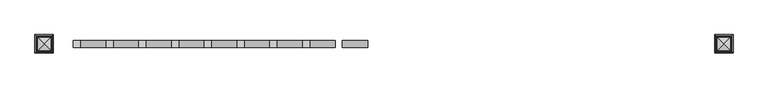
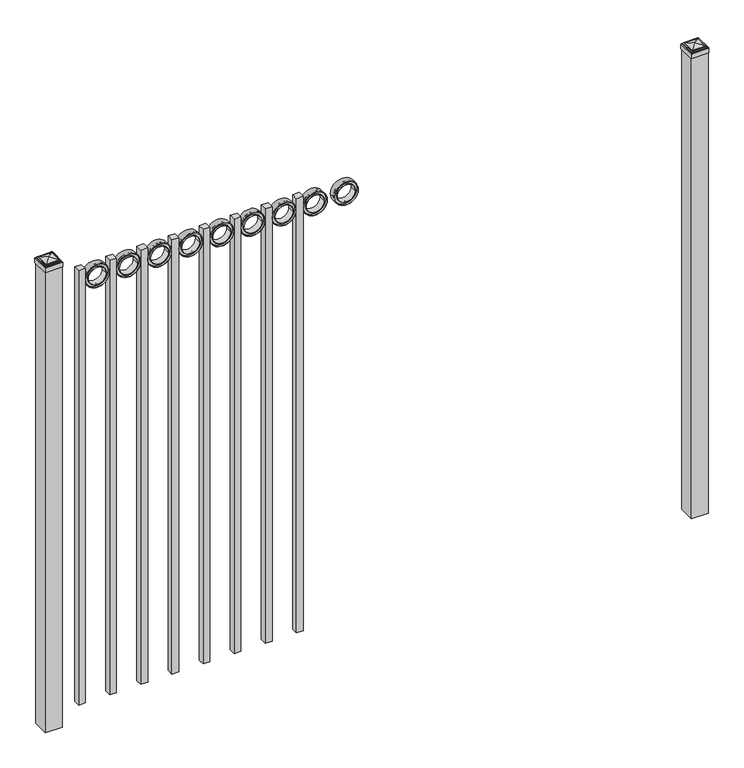
"""IFC4 building model written with IfcOpenShell, lengths in millimetres: railing geometry."""

import ifcopenshell
import ifcopenshell.guid

model = None  # the IFC model being written
_history = None  # IfcOwnerHistory: only IFC2X3 demands one
_inside = {}  # id of a spatial element -> (the spatial element, [elements in it])
_under = {}  # id of a project, library or spatial element -> (it, [spatial elements below it])
_declared = {}  # id of a project -> (the project, [libraries it declares])
_typed = {}  # id of a type object -> (the type object, [elements of that type])
_made_of = {}  # id of a material, layer set ... -> (it, [elements and type objects made of it])


def new_model(schema):
    """Start an empty IFC model of exactly this schema.

    Asked for "IFC4X3", IfcOpenShell would pick the latest addendum, in which some entities
    have other attributes; the version numbers below select the first issue.
    IFC2X3 requires an IfcOwnerHistory on every rooted entity: one is made here for all.
    """
    global model, _history
    if schema == "IFC4X3":
        model = ifcopenshell.file(schema_version=(4, 3, 0, 0))
    else:
        model = ifcopenshell.file(schema=schema)
    _inside.clear()
    _under.clear()
    _declared.clear()
    _typed.clear()
    _made_of.clear()
    _history = None
    if model.schema == "IFC2X3":
        org = make("IfcOrganization", Name="unknown")
        user = make(
            "IfcPersonAndOrganization",
            ThePerson=make("IfcPerson", FamilyName="unknown"),
            TheOrganization=org,
        )
        app = make(
            "IfcApplication",
            ApplicationDeveloper=org,
            Version="unknown",
            ApplicationFullName="unknown",
            ApplicationIdentifier="unknown",
        )
        _history = make(
            "IfcOwnerHistory",
            OwningUser=user,
            OwningApplication=app,
            ChangeAction="ADDED",
            CreationDate=0,
        )
    return model


def make(cls, **values):
    """One entity of the class cls with the attributes given. An attribute that is None is left unset."""
    return model.create_entity(
        cls, **{name: value for name, value in values.items() if value is not None}
    )


def rooted(cls, **values):
    """An entity with a GlobalId (a new one), such as an element, a storey or a relation."""
    return make(cls, GlobalId=ifcopenshell.guid.new(), OwnerHistory=_history, **values)


def si_unit(unit_type, name, prefix=None):
    """IfcSIUnit, for example si_unit("LENGTHUNIT", "METRE", prefix="MILLI")."""
    return make("IfcSIUnit", UnitType=unit_type, Prefix=prefix, Name=name)


def assignment(units):
    """IfcUnitAssignment: the units of a project."""
    return None if units is None else make("IfcUnitAssignment", Units=units)


def point(xyz):
    """IfcCartesianPoint."""
    return None if xyz is None else make("IfcCartesianPoint", Coordinates=xyz)


def direction(xyz):
    """IfcDirection."""
    return None if xyz is None else make("IfcDirection", DirectionRatios=xyz)


def frame(location, z_axis=None, x_axis=None):
    """IfcAxis2Placement3D, a coordinate frame: its origin and axes. An axis left out is left unset."""
    return make(
        "IfcAxis2Placement3D",
        Location=point(location),
        Axis=direction(z_axis),
        RefDirection=direction(x_axis),
    )


def frame_2d(location, x_axis=None):
    """IfcAxis2Placement2D, a coordinate frame in the plane: its origin and x axis."""
    return make(
        "IfcAxis2Placement2D", Location=point(location), RefDirection=direction(x_axis)
    )


def origin():
    """The frame at (0, 0, 0) with its axes left unset."""
    return frame((0.0, 0.0, 0.0))


def origin_with_axes():
    """The frame at (0, 0, 0) with the z axis (0, 0, 1) and the x axis (1, 0, 0) written out."""
    return frame((0.0, 0.0, 0.0), z_axis=(0.0, 0.0, 1.0), x_axis=(1.0, 0.0, 0.0))


def place(relative_to, where):
    """IfcLocalPlacement: puts the frame where relative to a parent placement (None: the world)."""
    return make(
        "IfcLocalPlacement", PlacementRelTo=relative_to, RelativePlacement=where
    )


def context(
    kind, dimensions, precision=None, world=None, true_north=None, identifier=None
):
    """IfcGeometricRepresentationContext, for example the 3D "Model" context."""
    return make(
        "IfcGeometricRepresentationContext",
        ContextIdentifier=identifier,
        ContextType=kind,
        CoordinateSpaceDimension=dimensions,
        Precision=precision,
        WorldCoordinateSystem=world,
        TrueNorth=true_north,
    )


def project(units=None, contexts=None):
    """IfcProject with its units and contexts."""
    return rooted(
        "IfcProject",
        Name="project",
        RepresentationContexts=contexts,
        UnitsInContext=assignment(units),
    )


def spatial(cls, under=None, at=None, **own):
    """A site, building, storey or space (cls), placed at a placement, below another one or the project."""
    s = rooted(cls, ObjectPlacement=at, **own)
    if under is not None:
        _under.setdefault(under.id(), (under, []))[1].append(s)
    return s


def polyline(points):
    """IfcPolyline through the points."""
    return make("IfcPolyline", Points=[point(p) for p in points])


def circle_curve(where, radius):
    """IfcCircle in the frame where."""
    return make("IfcCircle", Position=where, Radius=radius)


def ellipse_curve(where, semi_axis1, semi_axis2):
    """IfcEllipse in the frame where."""
    return make(
        "IfcEllipse", Position=where, SemiAxis1=semi_axis1, SemiAxis2=semi_axis2
    )


def trimmed(basis, trim1, trim2, sense, master):
    """IfcTrimmedCurve: the piece of a basis curve between two trims."""
    return make(
        "IfcTrimmedCurve",
        BasisCurve=basis,
        Trim1=trim1,
        Trim2=trim2,
        SenseAgreement=sense,
        MasterRepresentation=master,
    )


def segment(curve, same_sense, transition):
    """IfcCompositeCurveSegment."""
    return make(
        "IfcCompositeCurveSegment",
        Transition=transition,
        SameSense=same_sense,
        ParentCurve=curve,
    )


def composite_curve(segments, self_intersect=None):
    """IfcCompositeCurve: segments joined end to end."""
    return make("IfcCompositeCurve", Segments=segments, SelfIntersect=self_intersect)


def outline(outer, holes=None, kind="AREA"):
    """IfcArbitraryClosedProfileDef: a profile drawn as a closed curve; with holes, ...WithVoids."""
    if holes is None:
        return make("IfcArbitraryClosedProfileDef", ProfileType=kind, OuterCurve=outer)
    return make(
        "IfcArbitraryProfileDefWithVoids",
        ProfileType=kind,
        OuterCurve=outer,
        InnerCurves=holes,
    )


def extrude(swept, where, along, depth):
    """IfcExtrudedAreaSolid: the profile swept, set in the frame where, extruded along a direction by depth."""
    return make(
        "IfcExtrudedAreaSolid",
        SweptArea=swept,
        Position=where,
        ExtrudedDirection=direction(along),
        Depth=depth,
    )


def shape(context_of_items, identifier, shape_type, items):
    """IfcShapeRepresentation: the items that make up one representation, for example the "Body"."""
    return make(
        "IfcShapeRepresentation",
        ContextOfItems=context_of_items,
        RepresentationIdentifier=identifier,
        RepresentationType=shape_type,
        Items=items,
    )


def source(mapping_origin, context_of_items, identifier, shape_type, items):
    """IfcRepresentationMap: a shape defined once, which mapped items show again and again."""
    return make(
        "IfcRepresentationMap",
        MappingOrigin=mapping_origin,
        MappedRepresentation=shape(context_of_items, identifier, shape_type, items),
    )


def transform(
    local_origin,
    x_axis=None,
    y_axis=None,
    z_axis=None,
    scale=None,
    scale2=None,
    scale3=None,
    uniform=True,
):
    """IfcCartesianTransformationOperator3D, or its non-uniform kind. x_axis, y_axis, z_axis: its Axis1, 2, 3."""
    if uniform:
        return make(
            "IfcCartesianTransformationOperator3D",
            Axis1=direction(x_axis),
            Axis2=direction(y_axis),
            LocalOrigin=point(local_origin),
            Scale=scale,
            Axis3=direction(z_axis),
        )
    return make(
        "IfcCartesianTransformationOperator3DnonUniform",
        Axis1=direction(x_axis),
        Axis2=direction(y_axis),
        LocalOrigin=point(local_origin),
        Scale=scale,
        Axis3=direction(z_axis),
        Scale2=scale2,
        Scale3=scale3,
    )


def mapped(mapping_source, mapping_target):
    """IfcMappedItem: shows the shape of a source again, moved by a transform."""
    return make(
        "IfcMappedItem", MappingSource=mapping_source, MappingTarget=mapping_target
    )


def made_of(thing, what):
    """Note that an element or type object is made of a material, layer set ...; save() writes the relation."""
    if what is not None:
        _made_of.setdefault(what.id(), (what, []))[1].append(thing)
    return thing


def element(
    cls,
    number,
    at=None,
    inside=None,
    cuts=None,
    type_object=None,
    material=None,
    context=None,
    identifier="Body",
    shape_type=None,
    held_by="IfcProductDefinitionShape",
    body=None,
    shapes=None,
    **own,
):
    """One element of the class cls, such as IfcWall. Its Tag is "e" and its number.

    at: its placement. inside: the storey or other place that contains it. cuts: it is an
    opening in that element (IfcRelVoidsElement). A single representation is given by context,
    identifier, shape_type and body (its items); several are given by shapes. held_by: the class
    of the entity that holds the representations. save() writes the other relations.
    """
    e = rooted(cls, Tag="e%d" % number, ObjectPlacement=at, **own)
    if body is not None:
        shapes = [shape(context, identifier, shape_type, body)]
    if shapes is not None:
        e.Representation = make(held_by, Representations=shapes)
    if inside is not None:
        _inside.setdefault(inside.id(), (inside, []))[1].append(e)
    if cuts is not None:
        rooted(
            "IfcRelVoidsElement", RelatingBuildingElement=cuts, RelatedOpeningElement=e
        )
    if type_object is not None:
        _typed.setdefault(type_object.id(), (type_object, []))[1].append(e)
    return made_of(e, material)


def aggregate(whole, parts):
    """IfcRelAggregates: a whole, such as a stair, and the parts it consists of."""
    return rooted("IfcRelAggregates", RelatingObject=whole, RelatedObjects=parts)


def save(model, path):
    """Write the relations noted so far, then the file.

    IfcRelAggregates (storeys below a building ...), IfcRelContainedInSpatialStructure (elements
    in a storey), IfcRelDefinesByType, IfcRelAssociatesMaterial and IfcRelDeclares: one each for
    every whole, place, type object, material and project.
    """
    for whole, parts in _under.values():
        aggregate(whole, parts)
    for where, things in _inside.values():
        rooted(
            "IfcRelContainedInSpatialStructure",
            RelatedElements=things,
            RelatingStructure=where,
        )
    for kind, things in _typed.values():
        rooted("IfcRelDefinesByType", RelatedObjects=things, RelatingType=kind)
    for what, things in _made_of.values():
        rooted("IfcRelAssociatesMaterial", RelatedObjects=things, RelatingMaterial=what)
    for by, libraries in _declared.values():
        rooted("IfcRelDeclares", RelatingContext=by, RelatedDefinitions=libraries)
    model.write(path)


def plane_surface(at):
    """IfcPlane: the flat surface through the origin of the frame at, square to its z axis."""
    return make("IfcPlane", Position=at)


def cylinder_surface(at, radius):
    """IfcCylindricalSurface: all points at the distance radius from the z axis of the frame at."""
    return make("IfcCylindricalSurface", Position=at, Radius=radius)


def advanced_brep(points, edges, surfaces, faces):
    """IfcAdvancedBrep: a solid bounded by faces that lie on surfaces and meet in shared edges.

    An edge is (start, end): straight between two places in points (the first is 0);
    or (start, end, curve); or (start, end, curve, False) where it runs against its curve.
    A face is (place in surfaces, loops), or (place, loops, False) where it looks against
    its surface's normal. A loop lists edges by number (the first is 1), with a minus sign
    where the edge is run from its end to its start. The first loop is the outer one.
    """
    corners = [point(p) for p in points]
    vertices = [make("IfcVertexPoint", VertexGeometry=c) for c in corners]
    made = []
    for start, end, *more in edges:
        made.append(
            make(
                "IfcEdgeCurve",
                EdgeStart=vertices[start],
                EdgeEnd=vertices[end],
                EdgeGeometry=more[0] if more else make("IfcPolyline", Points=[corners[start], corners[end]]),
                SameSense=more[1] if len(more) > 1 else True,
            )
        )
    hull = []
    for where, loops, *sense in faces:
        bounds = []
        for j, loop in enumerate(loops):
            ring = [make("IfcOrientedEdge", EdgeElement=made[abs(k) - 1], Orientation=k > 0) for k in loop]
            bounds.append(
                make(
                    "IfcFaceOuterBound" if j == 0 else "IfcFaceBound",
                    Bound=make("IfcEdgeLoop", EdgeList=ring),
                    Orientation=True,
                )
            )
        hull.append(make("IfcAdvancedFace", Bounds=bounds, FaceSurface=surfaces[where], SameSense=sense[0] if sense else True))
    return make("IfcAdvancedBrep", Outer=make("IfcClosedShell", CfsFaces=hull))


def railing_31f2b3d9(model_context):
    return source(origin(), model_context, "Body", "SolidModel", [
        extrude(outline(composite_curve([segment(trimmed(circle_curve(frame_2d((1738.6511409, -5077.3911274)), 45.6988591), [point((1738.6511409, -5031.6922684))], [point((1738.6511409, -5123.0899865))], False, "CARTESIAN"), True, "CONTINUOUS"), segment(trimmed(circle_curve(frame_2d((1738.6511409, -5077.3911274)), 45.6988591), [point((1738.6511409, -5123.0899865))], [point((1738.6511409, -5031.6922684))], False, "CARTESIAN"), True, "CONTINUOUS")], self_intersect=False), holes=[composite_curve([segment(trimmed(circle_curve(frame_2d((1738.6511409, -5077.3911274)), 44.101539), [point((1738.6511409, -5033.2895884))], [point((1738.6511409, -5121.4926665))], True, "CARTESIAN"), True, "CONTINUOUS"), segment(trimmed(circle_curve(frame_2d((1738.6511409, -5077.3911274)), 44.101539), [point((1738.6511409, -5121.4926665))], [point((1738.6511409, -5033.2895884))], True, "CARTESIAN"), True, "CONTINUOUS")], self_intersect=False)]), frame((0.0, 10356.219541, 0.0), z_axis=(0.0, 1.0, 0.0), x_axis=(0.0, 0.0, 1.0)), (0.0, 0.0, 1.0), 25.4),
        extrude(outline(composite_curve([segment(trimmed(circle_curve(frame_2d((1738.6511409, -5077.3911274)), 34.6370762), [point((1738.6511409, -5042.7540512))], [point((1738.6511409, -5112.0282037))], False, "CARTESIAN"), True, "CONTINUOUS"), segment(trimmed(circle_curve(frame_2d((1738.6511409, -5077.3911274)), 34.6370762), [point((1738.6511409, -5112.0282037))], [point((1738.6511409, -5042.7540512))], False, "CARTESIAN"), True, "CONTINUOUS")], self_intersect=False), holes=[composite_curve([segment(trimmed(circle_curve(frame_2d((1738.6511409, -5077.3911274)), 33.0443887), [point((1738.6511409, -5044.3467388))], [point((1738.6511409, -5110.4355161))], True, "CARTESIAN"), True, "CONTINUOUS"), segment(trimmed(circle_curve(frame_2d((1738.6511409, -5077.3911274)), 33.0443887), [point((1738.6511409, -5110.4355161))], [point((1738.6511409, -5044.3467388))], True, "CARTESIAN"), True, "CONTINUOUS")], self_intersect=False)]), frame((0.0, 10356.219541, 0.0), z_axis=(0.0, 1.0, 0.0), x_axis=(0.0, 0.0, 1.0)), (0.0, 0.0, 1.0), 25.4),
        extrude(outline(composite_curve([segment(trimmed(circle_curve(frame_2d((1738.6511409, -5077.3911274)), 45.6988591), [point((1738.6511409, -5031.6922684))], [point((1738.6511409, -5123.0899865))], False, "CARTESIAN"), True, "CONTINUOUS"), segment(trimmed(circle_curve(frame_2d((1738.6511409, -5077.3911274)), 45.6988591), [point((1738.6511409, -5123.0899865))], [point((1738.6511409, -5031.6922684))], False, "CARTESIAN"), True, "CONTINUOUS")], self_intersect=False), holes=[composite_curve([segment(trimmed(circle_curve(frame_2d((1738.6511409, -5077.3911274)), 33.0443887), [point((1738.6511409, -5044.3467388))], [point((1738.6511409, -5110.4355161))], True, "CARTESIAN"), True, "CONTINUOUS"), segment(trimmed(circle_curve(frame_2d((1738.6511409, -5077.3911274)), 33.0443887), [point((1738.6511409, -5110.4355161))], [point((1738.6511409, -5044.3467388))], True, "CARTESIAN"), True, "CONTINUOUS")], self_intersect=False)]), frame((0.0, 10362.569541, 0.0), z_axis=(0.0, 1.0, 0.0), x_axis=(0.0, 0.0, 1.0)), (0.0, 0.0, 1.0), 12.7),
        extrude(outline(polyline([(0.0, -1733.55), (0.0, 0.0), (25.4, 0.0), (25.4, -1733.55), (0.0, -1733.55)])), frame((-5240.5649864, 10381.619541, 1784.35), z_axis=(-1.0, 0.0, 2.393723301381961e-09), x_axis=(0.0, -1.0, 0.0)), (0.0, 0.0, 1.0), 25.4),
        extrude(outline(composite_curve([segment(trimmed(circle_curve(frame_2d((1738.6511409, -5194.8661274)), 45.6988591), [point((1738.6511409, -5149.1672684))], [point((1738.6511409, -5240.5649865))], False, "CARTESIAN"), True, "CONTINUOUS"), segment(trimmed(circle_curve(frame_2d((1738.6511409, -5194.8661274)), 45.6988591), [point((1738.6511409, -5240.5649865))], [point((1738.6511409, -5149.1672684))], False, "CARTESIAN"), True, "CONTINUOUS")], self_intersect=False), holes=[composite_curve([segment(trimmed(circle_curve(frame_2d((1738.6511409, -5194.8661274)), 44.101539), [point((1738.6511409, -5150.7645884))], [point((1738.6511409, -5238.9676665))], True, "CARTESIAN"), True, "CONTINUOUS"), segment(trimmed(circle_curve(frame_2d((1738.6511409, -5194.8661274)), 44.101539), [point((1738.6511409, -5238.9676665))], [point((1738.6511409, -5150.7645884))], True, "CARTESIAN"), True, "CONTINUOUS")], self_intersect=False)]), frame((0.0, 10356.219541, 0.0), z_axis=(0.0, 1.0, 0.0), x_axis=(0.0, 0.0, 1.0)), (0.0, 0.0, 1.0), 25.4),
        extrude(outline(composite_curve([segment(trimmed(circle_curve(frame_2d((1738.6511409, -5194.8661274)), 34.6370762), [point((1738.6511409, -5160.2290512))], [point((1738.6511409, -5229.5032037))], False, "CARTESIAN"), True, "CONTINUOUS"), segment(trimmed(circle_curve(frame_2d((1738.6511409, -5194.8661274)), 34.6370762), [point((1738.6511409, -5229.5032037))], [point((1738.6511409, -5160.2290512))], False, "CARTESIAN"), True, "CONTINUOUS")], self_intersect=False), holes=[composite_curve([segment(trimmed(circle_curve(frame_2d((1738.6511409, -5194.8661274)), 33.0443887), [point((1738.6511409, -5161.8217388))], [point((1738.6511409, -5227.9105161))], True, "CARTESIAN"), True, "CONTINUOUS"), segment(trimmed(circle_curve(frame_2d((1738.6511409, -5194.8661274)), 33.0443887), [point((1738.6511409, -5227.9105161))], [point((1738.6511409, -5161.8217388))], True, "CARTESIAN"), True, "CONTINUOUS")], self_intersect=False)]), frame((0.0, 10356.219541, 0.0), z_axis=(0.0, 1.0, 0.0), x_axis=(0.0, 0.0, 1.0)), (0.0, 0.0, 1.0), 25.4),
        extrude(outline(composite_curve([segment(trimmed(circle_curve(frame_2d((1738.6511409, -5194.8661274)), 45.6988591), [point((1738.6511409, -5149.1672684))], [point((1738.6511409, -5240.5649865))], False, "CARTESIAN"), True, "CONTINUOUS"), segment(trimmed(circle_curve(frame_2d((1738.6511409, -5194.8661274)), 45.6988591), [point((1738.6511409, -5240.5649865))], [point((1738.6511409, -5149.1672684))], False, "CARTESIAN"), True, "CONTINUOUS")], self_intersect=False), holes=[composite_curve([segment(trimmed(circle_curve(frame_2d((1738.6511409, -5194.8661274)), 33.0443887), [point((1738.6511409, -5161.8217388))], [point((1738.6511409, -5227.9105161))], True, "CARTESIAN"), True, "CONTINUOUS"), segment(trimmed(circle_curve(frame_2d((1738.6511409, -5194.8661274)), 33.0443887), [point((1738.6511409, -5227.9105161))], [point((1738.6511409, -5161.8217388))], True, "CARTESIAN"), True, "CONTINUOUS")], self_intersect=False)]), frame((0.0, 10362.569541, 0.0), z_axis=(0.0, 1.0, 0.0), x_axis=(0.0, 0.0, 1.0)), (0.0, 0.0, 1.0), 12.7),
        extrude(outline(polyline([(0.0, -1733.55), (0.0, 0.0), (25.4, 0.0), (25.4, -1733.55), (0.0, -1733.55)])), frame((-5358.0399864, 10381.619541, 1784.35), z_axis=(-1.0, 0.0, 2.393723301381961e-09), x_axis=(0.0, -1.0, 0.0)), (0.0, 0.0, 1.0), 25.4),
        extrude(outline(composite_curve([segment(trimmed(circle_curve(frame_2d((1738.6511409, -5312.3411274)), 45.6988591), [point((1738.6511409, -5266.6422684))], [point((1738.6511409, -5358.0399865))], False, "CARTESIAN"), True, "CONTINUOUS"), segment(trimmed(circle_curve(frame_2d((1738.6511409, -5312.3411274)), 45.6988591), [point((1738.6511409, -5358.0399865))], [point((1738.6511409, -5266.6422684))], False, "CARTESIAN"), True, "CONTINUOUS")], self_intersect=False), holes=[composite_curve([segment(trimmed(circle_curve(frame_2d((1738.6511409, -5312.3411274)), 44.101539), [point((1738.6511409, -5268.2395884))], [point((1738.6511409, -5356.4426665))], True, "CARTESIAN"), True, "CONTINUOUS"), segment(trimmed(circle_curve(frame_2d((1738.6511409, -5312.3411274)), 44.101539), [point((1738.6511409, -5356.4426665))], [point((1738.6511409, -5268.2395884))], True, "CARTESIAN"), True, "CONTINUOUS")], self_intersect=False)]), frame((0.0, 10356.219541, 0.0), z_axis=(0.0, 1.0, 0.0), x_axis=(0.0, 0.0, 1.0)), (0.0, 0.0, 1.0), 25.4),
        extrude(outline(composite_curve([segment(trimmed(circle_curve(frame_2d((1738.6511409, -5312.3411274)), 34.6370762), [point((1738.6511409, -5277.7040512))], [point((1738.6511409, -5346.9782037))], False, "CARTESIAN"), True, "CONTINUOUS"), segment(trimmed(circle_curve(frame_2d((1738.6511409, -5312.3411274)), 34.6370762), [point((1738.6511409, -5346.9782037))], [point((1738.6511409, -5277.7040512))], False, "CARTESIAN"), True, "CONTINUOUS")], self_intersect=False), holes=[composite_curve([segment(trimmed(circle_curve(frame_2d((1738.6511409, -5312.3411274)), 33.0443887), [point((1738.6511409, -5279.2967388))], [point((1738.6511409, -5345.3855161))], True, "CARTESIAN"), True, "CONTINUOUS"), segment(trimmed(circle_curve(frame_2d((1738.6511409, -5312.3411274)), 33.0443887), [point((1738.6511409, -5345.3855161))], [point((1738.6511409, -5279.2967388))], True, "CARTESIAN"), True, "CONTINUOUS")], self_intersect=False)]), frame((0.0, 10356.219541, 0.0), z_axis=(0.0, 1.0, 0.0), x_axis=(0.0, 0.0, 1.0)), (0.0, 0.0, 1.0), 25.4),
        extrude(outline(composite_curve([segment(trimmed(circle_curve(frame_2d((1738.6511409, -5312.3411274)), 45.6988591), [point((1738.6511409, -5266.6422684))], [point((1738.6511409, -5358.0399865))], False, "CARTESIAN"), True, "CONTINUOUS"), segment(trimmed(circle_curve(frame_2d((1738.6511409, -5312.3411274)), 45.6988591), [point((1738.6511409, -5358.0399865))], [point((1738.6511409, -5266.6422684))], False, "CARTESIAN"), True, "CONTINUOUS")], self_intersect=False), holes=[composite_curve([segment(trimmed(circle_curve(frame_2d((1738.6511409, -5312.3411274)), 33.0443887), [point((1738.6511409, -5279.2967388))], [point((1738.6511409, -5345.3855161))], True, "CARTESIAN"), True, "CONTINUOUS"), segment(trimmed(circle_curve(frame_2d((1738.6511409, -5312.3411274)), 33.0443887), [point((1738.6511409, -5345.3855161))], [point((1738.6511409, -5279.2967388))], True, "CARTESIAN"), True, "CONTINUOUS")], self_intersect=False)]), frame((0.0, 10362.569541, 0.0), z_axis=(0.0, 1.0, 0.0), x_axis=(0.0, 0.0, 1.0)), (0.0, 0.0, 1.0), 12.7),
        extrude(outline(polyline([(0.0, -1733.55), (0.0, 0.0), (25.4, 0.0), (25.4, -1733.55), (0.0, -1733.55)])), frame((-5475.5149864, 10381.619541, 1784.35), z_axis=(-1.0, 0.0, 2.393723301381961e-09), x_axis=(0.0, -1.0, 0.0)), (0.0, 0.0, 1.0), 25.4),
        extrude(outline(composite_curve([segment(trimmed(circle_curve(frame_2d((1738.6511409, -5429.8161274)), 45.6988591), [point((1738.6511409, -5384.1172684))], [point((1738.6511409, -5475.5149865))], False, "CARTESIAN"), True, "CONTINUOUS"), segment(trimmed(circle_curve(frame_2d((1738.6511409, -5429.8161274)), 45.6988591), [point((1738.6511409, -5475.5149865))], [point((1738.6511409, -5384.1172684))], False, "CARTESIAN"), True, "CONTINUOUS")], self_intersect=False), holes=[composite_curve([segment(trimmed(circle_curve(frame_2d((1738.6511409, -5429.8161274)), 44.101539), [point((1738.6511409, -5385.7145884))], [point((1738.6511409, -5473.9176665))], True, "CARTESIAN"), True, "CONTINUOUS"), segment(trimmed(circle_curve(frame_2d((1738.6511409, -5429.8161274)), 44.101539), [point((1738.6511409, -5473.9176665))], [point((1738.6511409, -5385.7145884))], True, "CARTESIAN"), True, "CONTINUOUS")], self_intersect=False)]), frame((0.0, 10356.219541, 0.0), z_axis=(0.0, 1.0, 0.0), x_axis=(0.0, 0.0, 1.0)), (0.0, 0.0, 1.0), 25.4),
        extrude(outline(composite_curve([segment(trimmed(circle_curve(frame_2d((1738.6511409, -5429.8161274)), 34.6370762), [point((1738.6511409, -5395.1790512))], [point((1738.6511409, -5464.4532037))], False, "CARTESIAN"), True, "CONTINUOUS"), segment(trimmed(circle_curve(frame_2d((1738.6511409, -5429.8161274)), 34.6370762), [point((1738.6511409, -5464.4532037))], [point((1738.6511409, -5395.1790512))], False, "CARTESIAN"), True, "CONTINUOUS")], self_intersect=False), holes=[composite_curve([segment(trimmed(circle_curve(frame_2d((1738.6511409, -5429.8161274)), 33.0443887), [point((1738.6511409, -5396.7717388))], [point((1738.6511409, -5462.8605161))], True, "CARTESIAN"), True, "CONTINUOUS"), segment(trimmed(circle_curve(frame_2d((1738.6511409, -5429.8161274)), 33.0443887), [point((1738.6511409, -5462.8605161))], [point((1738.6511409, -5396.7717388))], True, "CARTESIAN"), True, "CONTINUOUS")], self_intersect=False)]), frame((0.0, 10356.219541, 0.0), z_axis=(0.0, 1.0, 0.0), x_axis=(0.0, 0.0, 1.0)), (0.0, 0.0, 1.0), 25.4),
        extrude(outline(composite_curve([segment(trimmed(circle_curve(frame_2d((1738.6511409, -5429.8161274)), 45.6988591), [point((1738.6511409, -5384.1172684))], [point((1738.6511409, -5475.5149865))], False, "CARTESIAN"), True, "CONTINUOUS"), segment(trimmed(circle_curve(frame_2d((1738.6511409, -5429.8161274)), 45.6988591), [point((1738.6511409, -5475.5149865))], [point((1738.6511409, -5384.1172684))], False, "CARTESIAN"), True, "CONTINUOUS")], self_intersect=False), holes=[composite_curve([segment(trimmed(circle_curve(frame_2d((1738.6511409, -5429.8161274)), 33.0443887), [point((1738.6511409, -5396.7717388))], [point((1738.6511409, -5462.8605161))], True, "CARTESIAN"), True, "CONTINUOUS"), segment(trimmed(circle_curve(frame_2d((1738.6511409, -5429.8161274)), 33.0443887), [point((1738.6511409, -5462.8605161))], [point((1738.6511409, -5396.7717388))], True, "CARTESIAN"), True, "CONTINUOUS")], self_intersect=False)]), frame((0.0, 10362.569541, 0.0), z_axis=(0.0, 1.0, 0.0), x_axis=(0.0, 0.0, 1.0)), (0.0, 0.0, 1.0), 12.7),
        extrude(outline(polyline([(0.0, -1733.55), (0.0, 0.0), (25.4, 0.0), (25.4, -1733.55), (0.0, -1733.55)])), frame((-5592.9899864, 10381.619541, 1784.35), z_axis=(-1.0, 0.0, 2.393723301381961e-09), x_axis=(0.0, -1.0, 0.0)), (0.0, 0.0, 1.0), 25.4),
        extrude(outline(composite_curve([segment(trimmed(circle_curve(frame_2d((1738.6511409, -5547.2911274)), 45.6988591), [point((1738.6511409, -5501.5922684))], [point((1738.6511409, -5592.9899865))], False, "CARTESIAN"), True, "CONTINUOUS"), segment(trimmed(circle_curve(frame_2d((1738.6511409, -5547.2911274)), 45.6988591), [point((1738.6511409, -5592.9899865))], [point((1738.6511409, -5501.5922684))], False, "CARTESIAN"), True, "CONTINUOUS")], self_intersect=False), holes=[composite_curve([segment(trimmed(circle_curve(frame_2d((1738.6511409, -5547.2911274)), 44.101539), [point((1738.6511409, -5503.1895884))], [point((1738.6511409, -5591.3926665))], True, "CARTESIAN"), True, "CONTINUOUS"), segment(trimmed(circle_curve(frame_2d((1738.6511409, -5547.2911274)), 44.101539), [point((1738.6511409, -5591.3926665))], [point((1738.6511409, -5503.1895884))], True, "CARTESIAN"), True, "CONTINUOUS")], self_intersect=False)]), frame((0.0, 10356.219541, 0.0), z_axis=(0.0, 1.0, 0.0), x_axis=(0.0, 0.0, 1.0)), (0.0, 0.0, 1.0), 25.4),
        extrude(outline(composite_curve([segment(trimmed(circle_curve(frame_2d((1738.6511409, -5547.2911274)), 34.6370762), [point((1738.6511409, -5512.6540512))], [point((1738.6511409, -5581.9282037))], False, "CARTESIAN"), True, "CONTINUOUS"), segment(trimmed(circle_curve(frame_2d((1738.6511409, -5547.2911274)), 34.6370762), [point((1738.6511409, -5581.9282037))], [point((1738.6511409, -5512.6540512))], False, "CARTESIAN"), True, "CONTINUOUS")], self_intersect=False), holes=[composite_curve([segment(trimmed(circle_curve(frame_2d((1738.6511409, -5547.2911274)), 33.0443887), [point((1738.6511409, -5514.2467388))], [point((1738.6511409, -5580.3355161))], True, "CARTESIAN"), True, "CONTINUOUS"), segment(trimmed(circle_curve(frame_2d((1738.6511409, -5547.2911274)), 33.0443887), [point((1738.6511409, -5580.3355161))], [point((1738.6511409, -5514.2467388))], True, "CARTESIAN"), True, "CONTINUOUS")], self_intersect=False)]), frame((0.0, 10356.219541, 0.0), z_axis=(0.0, 1.0, 0.0), x_axis=(0.0, 0.0, 1.0)), (0.0, 0.0, 1.0), 25.4),
        extrude(outline(composite_curve([segment(trimmed(circle_curve(frame_2d((1738.6511409, -5547.2911274)), 45.6988591), [point((1738.6511409, -5501.5922684))], [point((1738.6511409, -5592.9899865))], False, "CARTESIAN"), True, "CONTINUOUS"), segment(trimmed(circle_curve(frame_2d((1738.6511409, -5547.2911274)), 45.6988591), [point((1738.6511409, -5592.9899865))], [point((1738.6511409, -5501.5922684))], False, "CARTESIAN"), True, "CONTINUOUS")], self_intersect=False), holes=[composite_curve([segment(trimmed(circle_curve(frame_2d((1738.6511409, -5547.2911274)), 33.0443887), [point((1738.6511409, -5514.2467388))], [point((1738.6511409, -5580.3355161))], True, "CARTESIAN"), True, "CONTINUOUS"), segment(trimmed(circle_curve(frame_2d((1738.6511409, -5547.2911274)), 33.0443887), [point((1738.6511409, -5580.3355161))], [point((1738.6511409, -5514.2467388))], True, "CARTESIAN"), True, "CONTINUOUS")], self_intersect=False)]), frame((0.0, 10362.569541, 0.0), z_axis=(0.0, 1.0, 0.0), x_axis=(0.0, 0.0, 1.0)), (0.0, 0.0, 1.0), 12.7),
        extrude(outline(polyline([(0.0, -1733.55), (0.0, 0.0), (25.4, 0.0), (25.4, -1733.55), (0.0, -1733.55)])), frame((-5710.4649864, 10381.619541, 1784.35), z_axis=(-1.0, 0.0, 2.393723301381961e-09), x_axis=(0.0, -1.0, 0.0)), (0.0, 0.0, 1.0), 25.4),
        extrude(outline(composite_curve([segment(trimmed(circle_curve(frame_2d((1738.6511409, -5664.7661274)), 45.6988591), [point((1738.6511409, -5619.0672684))], [point((1738.6511409, -5710.4649865))], False, "CARTESIAN"), True, "CONTINUOUS"), segment(trimmed(circle_curve(frame_2d((1738.6511409, -5664.7661274)), 45.6988591), [point((1738.6511409, -5710.4649865))], [point((1738.6511409, -5619.0672684))], False, "CARTESIAN"), True, "CONTINUOUS")], self_intersect=False), holes=[composite_curve([segment(trimmed(circle_curve(frame_2d((1738.6511409, -5664.7661274)), 44.101539), [point((1738.6511409, -5620.6645884))], [point((1738.6511409, -5708.8676665))], True, "CARTESIAN"), True, "CONTINUOUS"), segment(trimmed(circle_curve(frame_2d((1738.6511409, -5664.7661274)), 44.101539), [point((1738.6511409, -5708.8676665))], [point((1738.6511409, -5620.6645884))], True, "CARTESIAN"), True, "CONTINUOUS")], self_intersect=False)]), frame((0.0, 10356.219541, 0.0), z_axis=(0.0, 1.0, 0.0), x_axis=(0.0, 0.0, 1.0)), (0.0, 0.0, 1.0), 25.4),
        extrude(outline(composite_curve([segment(trimmed(circle_curve(frame_2d((1738.6511409, -5664.7661274)), 34.6370762), [point((1738.6511409, -5630.1290512))], [point((1738.6511409, -5699.4032037))], False, "CARTESIAN"), True, "CONTINUOUS"), segment(trimmed(circle_curve(frame_2d((1738.6511409, -5664.7661274)), 34.6370762), [point((1738.6511409, -5699.4032037))], [point((1738.6511409, -5630.1290512))], False, "CARTESIAN"), True, "CONTINUOUS")], self_intersect=False), holes=[composite_curve([segment(trimmed(circle_curve(frame_2d((1738.6511409, -5664.7661274)), 33.0443887), [point((1738.6511409, -5631.7217388))], [point((1738.6511409, -5697.8105161))], True, "CARTESIAN"), True, "CONTINUOUS"), segment(trimmed(circle_curve(frame_2d((1738.6511409, -5664.7661274)), 33.0443887), [point((1738.6511409, -5697.8105161))], [point((1738.6511409, -5631.7217388))], True, "CARTESIAN"), True, "CONTINUOUS")], self_intersect=False)]), frame((0.0, 10356.219541, 0.0), z_axis=(0.0, 1.0, 0.0), x_axis=(0.0, 0.0, 1.0)), (0.0, 0.0, 1.0), 25.4),
        extrude(outline(composite_curve([segment(trimmed(circle_curve(frame_2d((1738.6511409, -5664.7661274)), 45.6988591), [point((1738.6511409, -5619.0672684))], [point((1738.6511409, -5710.4649865))], False, "CARTESIAN"), True, "CONTINUOUS"), segment(trimmed(circle_curve(frame_2d((1738.6511409, -5664.7661274)), 45.6988591), [point((1738.6511409, -5710.4649865))], [point((1738.6511409, -5619.0672684))], False, "CARTESIAN"), True, "CONTINUOUS")], self_intersect=False), holes=[composite_curve([segment(trimmed(circle_curve(frame_2d((1738.6511409, -5664.7661274)), 33.0443887), [point((1738.6511409, -5631.7217388))], [point((1738.6511409, -5697.8105161))], True, "CARTESIAN"), True, "CONTINUOUS"), segment(trimmed(circle_curve(frame_2d((1738.6511409, -5664.7661274)), 33.0443887), [point((1738.6511409, -5697.8105161))], [point((1738.6511409, -5631.7217388))], True, "CARTESIAN"), True, "CONTINUOUS")], self_intersect=False)]), frame((0.0, 10362.569541, 0.0), z_axis=(0.0, 1.0, 0.0), x_axis=(0.0, 0.0, 1.0)), (0.0, 0.0, 1.0), 12.7),
        extrude(outline(polyline([(0.0, -1733.55), (0.0, 0.0), (25.4, 0.0), (25.4, -1733.55), (0.0, -1733.55)])), frame((-5827.9399864, 10381.619541, 1784.35), z_axis=(-1.0, 0.0, 2.393723301381961e-09), x_axis=(0.0, -1.0, 0.0)), (0.0, 0.0, 1.0), 25.4),
        extrude(outline(composite_curve([segment(trimmed(circle_curve(frame_2d((1738.6511409, -5782.2411274)), 45.6988591), [point((1738.6511409, -5736.5422684))], [point((1738.6511409, -5827.9399865))], False, "CARTESIAN"), True, "CONTINUOUS"), segment(trimmed(circle_curve(frame_2d((1738.6511409, -5782.2411274)), 45.6988591), [point((1738.6511409, -5827.9399865))], [point((1738.6511409, -5736.5422684))], False, "CARTESIAN"), True, "CONTINUOUS")], self_intersect=False), holes=[composite_curve([segment(trimmed(circle_curve(frame_2d((1738.6511409, -5782.2411274)), 44.101539), [point((1738.6511409, -5738.1395884))], [point((1738.6511409, -5826.3426665))], True, "CARTESIAN"), True, "CONTINUOUS"), segment(trimmed(circle_curve(frame_2d((1738.6511409, -5782.2411274)), 44.101539), [point((1738.6511409, -5826.3426665))], [point((1738.6511409, -5738.1395884))], True, "CARTESIAN"), True, "CONTINUOUS")], self_intersect=False)]), frame((0.0, 10356.219541, 0.0), z_axis=(0.0, 1.0, 0.0), x_axis=(0.0, 0.0, 1.0)), (0.0, 0.0, 1.0), 25.4),
        extrude(outline(composite_curve([segment(trimmed(circle_curve(frame_2d((1738.6511409, -5782.2411274)), 34.6370762), [point((1738.6511409, -5747.6040512))], [point((1738.6511409, -5816.8782037))], False, "CARTESIAN"), True, "CONTINUOUS"), segment(trimmed(circle_curve(frame_2d((1738.6511409, -5782.2411274)), 34.6370762), [point((1738.6511409, -5816.8782037))], [point((1738.6511409, -5747.6040512))], False, "CARTESIAN"), True, "CONTINUOUS")], self_intersect=False), holes=[composite_curve([segment(trimmed(circle_curve(frame_2d((1738.6511409, -5782.2411274)), 33.0443887), [point((1738.6511409, -5749.1967388))], [point((1738.6511409, -5815.2855161))], True, "CARTESIAN"), True, "CONTINUOUS"), segment(trimmed(circle_curve(frame_2d((1738.6511409, -5782.2411274)), 33.0443887), [point((1738.6511409, -5815.2855161))], [point((1738.6511409, -5749.1967388))], True, "CARTESIAN"), True, "CONTINUOUS")], self_intersect=False)]), frame((0.0, 10356.219541, 0.0), z_axis=(0.0, 1.0, 0.0), x_axis=(0.0, 0.0, 1.0)), (0.0, 0.0, 1.0), 25.4),
        extrude(outline(composite_curve([segment(trimmed(circle_curve(frame_2d((1738.6511409, -5782.2411274)), 45.6988591), [point((1738.6511409, -5736.5422684))], [point((1738.6511409, -5827.9399865))], False, "CARTESIAN"), True, "CONTINUOUS"), segment(trimmed(circle_curve(frame_2d((1738.6511409, -5782.2411274)), 45.6988591), [point((1738.6511409, -5827.9399865))], [point((1738.6511409, -5736.5422684))], False, "CARTESIAN"), True, "CONTINUOUS")], self_intersect=False), holes=[composite_curve([segment(trimmed(circle_curve(frame_2d((1738.6511409, -5782.2411274)), 33.0443887), [point((1738.6511409, -5749.1967388))], [point((1738.6511409, -5815.2855161))], True, "CARTESIAN"), True, "CONTINUOUS"), segment(trimmed(circle_curve(frame_2d((1738.6511409, -5782.2411274)), 33.0443887), [point((1738.6511409, -5815.2855161))], [point((1738.6511409, -5749.1967388))], True, "CARTESIAN"), True, "CONTINUOUS")], self_intersect=False)]), frame((0.0, 10362.569541, 0.0), z_axis=(0.0, 1.0, 0.0), x_axis=(0.0, 0.0, 1.0)), (0.0, 0.0, 1.0), 12.7),
        extrude(outline(polyline([(0.0, -1733.55), (0.0, 0.0), (25.4, 0.0), (25.4, -1733.55), (0.0, -1733.55)])), frame((-5945.4149864, 10381.619541, 1784.35), z_axis=(-1.0, 0.0, 2.393723301381961e-09), x_axis=(0.0, -1.0, 0.0)), (0.0, 0.0, 1.0), 25.4),
        extrude(outline(composite_curve([segment(trimmed(circle_curve(frame_2d((1738.6511409, -5899.7161274)), 45.6988591), [point((1738.6511409, -5854.0172684))], [point((1738.6511409, -5945.4149865))], False, "CARTESIAN"), True, "CONTINUOUS"), segment(trimmed(circle_curve(frame_2d((1738.6511409, -5899.7161274)), 45.6988591), [point((1738.6511409, -5945.4149865))], [point((1738.6511409, -5854.0172684))], False, "CARTESIAN"), True, "CONTINUOUS")], self_intersect=False), holes=[composite_curve([segment(trimmed(circle_curve(frame_2d((1738.6511409, -5899.7161274)), 44.101539), [point((1738.6511409, -5855.6145884))], [point((1738.6511409, -5943.8176665))], True, "CARTESIAN"), True, "CONTINUOUS"), segment(trimmed(circle_curve(frame_2d((1738.6511409, -5899.7161274)), 44.101539), [point((1738.6511409, -5943.8176665))], [point((1738.6511409, -5855.6145884))], True, "CARTESIAN"), True, "CONTINUOUS")], self_intersect=False)]), frame((0.0, 10356.219541, 0.0), z_axis=(0.0, 1.0, 0.0), x_axis=(0.0, 0.0, 1.0)), (0.0, 0.0, 1.0), 25.4),
        extrude(outline(composite_curve([segment(trimmed(circle_curve(frame_2d((1738.6511409, -5899.7161274)), 34.6370762), [point((1738.6511409, -5865.0790512))], [point((1738.6511409, -5934.3532037))], False, "CARTESIAN"), True, "CONTINUOUS"), segment(trimmed(circle_curve(frame_2d((1738.6511409, -5899.7161274)), 34.6370762), [point((1738.6511409, -5934.3532037))], [point((1738.6511409, -5865.0790512))], False, "CARTESIAN"), True, "CONTINUOUS")], self_intersect=False), holes=[composite_curve([segment(trimmed(circle_curve(frame_2d((1738.6511409, -5899.7161274)), 33.0443887), [point((1738.6511409, -5866.6717388))], [point((1738.6511409, -5932.7605161))], True, "CARTESIAN"), True, "CONTINUOUS"), segment(trimmed(circle_curve(frame_2d((1738.6511409, -5899.7161274)), 33.0443887), [point((1738.6511409, -5932.7605161))], [point((1738.6511409, -5866.6717388))], True, "CARTESIAN"), True, "CONTINUOUS")], self_intersect=False)]), frame((0.0, 10356.219541, 0.0), z_axis=(0.0, 1.0, 0.0), x_axis=(0.0, 0.0, 1.0)), (0.0, 0.0, 1.0), 25.4),
        extrude(outline(composite_curve([segment(trimmed(circle_curve(frame_2d((1738.6511409, -5899.7161274)), 45.6988591), [point((1738.6511409, -5854.0172684))], [point((1738.6511409, -5945.4149865))], False, "CARTESIAN"), True, "CONTINUOUS"), segment(trimmed(circle_curve(frame_2d((1738.6511409, -5899.7161274)), 45.6988591), [point((1738.6511409, -5945.4149865))], [point((1738.6511409, -5854.0172684))], False, "CARTESIAN"), True, "CONTINUOUS")], self_intersect=False), holes=[composite_curve([segment(trimmed(circle_curve(frame_2d((1738.6511409, -5899.7161274)), 33.0443887), [point((1738.6511409, -5866.6717388))], [point((1738.6511409, -5932.7605161))], True, "CARTESIAN"), True, "CONTINUOUS"), segment(trimmed(circle_curve(frame_2d((1738.6511409, -5899.7161274)), 33.0443887), [point((1738.6511409, -5932.7605161))], [point((1738.6511409, -5866.6717388))], True, "CARTESIAN"), True, "CONTINUOUS")], self_intersect=False)]), frame((0.0, 10362.569541, 0.0), z_axis=(0.0, 1.0, 0.0), x_axis=(0.0, 0.0, 1.0)), (0.0, 0.0, 1.0), 12.7),
        extrude(outline(polyline([(0.0, -1733.55), (0.0, 0.0), (25.4, 0.0), (25.4, -1733.55), (0.0, -1733.55)])), frame((-6062.8899864, 10381.619541, 1784.35), z_axis=(-1.0, 0.0, 2.393723301381961e-09), x_axis=(0.0, -1.0, 0.0)), (0.0, 0.0, 1.0), 25.4),
        extrude(outline(composite_curve([segment(trimmed(circle_curve(frame_2d((1738.6511409, -6017.1911274)), 45.6988591), [point((1738.6511409, -5971.4922684))], [point((1738.6511409, -6062.8899865))], False, "CARTESIAN"), True, "CONTINUOUS"), segment(trimmed(circle_curve(frame_2d((1738.6511409, -6017.1911274)), 45.6988591), [point((1738.6511409, -6062.8899865))], [point((1738.6511409, -5971.4922684))], False, "CARTESIAN"), True, "CONTINUOUS")], self_intersect=False), holes=[composite_curve([segment(trimmed(circle_curve(frame_2d((1738.6511409, -6017.1911274)), 44.101539), [point((1738.6511409, -5973.0895884))], [point((1738.6511409, -6061.2926665))], True, "CARTESIAN"), True, "CONTINUOUS"), segment(trimmed(circle_curve(frame_2d((1738.6511409, -6017.1911274)), 44.101539), [point((1738.6511409, -6061.2926665))], [point((1738.6511409, -5973.0895884))], True, "CARTESIAN"), True, "CONTINUOUS")], self_intersect=False)]), frame((0.0, 10356.219541, 0.0), z_axis=(0.0, 1.0, 0.0), x_axis=(0.0, 0.0, 1.0)), (0.0, 0.0, 1.0), 25.4),
        extrude(outline(composite_curve([segment(trimmed(circle_curve(frame_2d((1738.6511409, -6017.1911274)), 34.6370762), [point((1738.6511409, -5982.5540512))], [point((1738.6511409, -6051.8282037))], False, "CARTESIAN"), True, "CONTINUOUS"), segment(trimmed(circle_curve(frame_2d((1738.6511409, -6017.1911274)), 34.6370762), [point((1738.6511409, -6051.8282037))], [point((1738.6511409, -5982.5540512))], False, "CARTESIAN"), True, "CONTINUOUS")], self_intersect=False), holes=[composite_curve([segment(trimmed(circle_curve(frame_2d((1738.6511409, -6017.1911274)), 33.0443887), [point((1738.6511409, -5984.1467388))], [point((1738.6511409, -6050.2355161))], True, "CARTESIAN"), True, "CONTINUOUS"), segment(trimmed(circle_curve(frame_2d((1738.6511409, -6017.1911274)), 33.0443887), [point((1738.6511409, -6050.2355161))], [point((1738.6511409, -5984.1467388))], True, "CARTESIAN"), True, "CONTINUOUS")], self_intersect=False)]), frame((0.0, 10356.219541, 0.0), z_axis=(0.0, 1.0, 0.0), x_axis=(0.0, 0.0, 1.0)), (0.0, 0.0, 1.0), 25.4),
        extrude(outline(composite_curve([segment(trimmed(circle_curve(frame_2d((1738.6511409, -6017.1911274)), 45.6988591), [point((1738.6511409, -5971.4922684))], [point((1738.6511409, -6062.8899865))], False, "CARTESIAN"), True, "CONTINUOUS"), segment(trimmed(circle_curve(frame_2d((1738.6511409, -6017.1911274)), 45.6988591), [point((1738.6511409, -6062.8899865))], [point((1738.6511409, -5971.4922684))], False, "CARTESIAN"), True, "CONTINUOUS")], self_intersect=False), holes=[composite_curve([segment(trimmed(circle_curve(frame_2d((1738.6511409, -6017.1911274)), 33.0443887), [point((1738.6511409, -5984.1467388))], [point((1738.6511409, -6050.2355161))], True, "CARTESIAN"), True, "CONTINUOUS"), segment(trimmed(circle_curve(frame_2d((1738.6511409, -6017.1911274)), 33.0443887), [point((1738.6511409, -6050.2355161))], [point((1738.6511409, -5984.1467388))], True, "CARTESIAN"), True, "CONTINUOUS")], self_intersect=False)]), frame((0.0, 10362.569541, 0.0), z_axis=(0.0, 1.0, 0.0), x_axis=(0.0, 0.0, 1.0)), (0.0, 0.0, 1.0), 12.7),
        extrude(outline(polyline([(-3722.9149936, 10400.669541), (-3722.9149936, 10337.169541), (-3786.4149936, 10337.169541), (-3786.4149936, 10400.669541), (-3722.9149936, 10400.669541)])), origin_with_axes(), (0.0, 0.0, 1.0), 1836.7375),
        advanced_brep(
        [(-3788.0024936, 10402.257041, 1854.99375), (-3788.0024936, 10402.257041, 1836.7375), (-3788.0024936, 10335.582041, 1836.7375), (-3788.0024936, 10335.582041, 1854.99375), (-3785.6212436, 10399.875791, 1857.375), (-3785.6212436, 10337.963291, 1857.375), (-3783.2399936, 10397.494541, 1859.75625), (-3783.2399936, 10397.494541, 1857.375), (-3783.2399936, 10340.344541, 1857.375), (-3783.2399936, 10340.344541, 1859.75625), (-3780.8587436, 10395.113291, 1862.1375), (-3780.8587436, 10342.725791, 1862.1375), (-3754.6649936, 10368.919541, 1868.4875), (-3778.4774936, 10392.732041, 1862.1375), (-3778.4774936, 10345.107041, 1862.1375), (-3721.3274936, 10335.582041, 1836.7375), (-3721.3274936, 10335.582041, 1854.99375), (-3723.7087436, 10337.963291, 1857.375), (-3726.0899936, 10340.344541, 1857.375), (-3726.0899936, 10340.344541, 1859.75625), (-3728.4712436, 10342.725791, 1862.1375), (-3730.8524936, 10345.107041, 1862.1375), (-3721.3274936, 10402.257041, 1836.7375), (-3721.3274936, 10402.257041, 1854.99375), (-3723.7087436, 10399.875791, 1857.375), (-3726.0899936, 10397.494541, 1857.375), (-3726.0899936, 10397.494541, 1859.75625), (-3728.4712436, 10395.113291, 1862.1375), (-3730.8524936, 10392.732041, 1862.1375)],
        [
            (0, 1),
            (1, 2),
            (2, 3),
            (3, 0),
            (4, 0, ellipse_curve(frame((-3785.6212436, 10399.875791, 1854.99375), z_axis=(-0.70710678118655, -0.7071067811865449, 0.0), x_axis=(-0.7071067811865448, 0.7071067811865501, 0.0)), 3.367596, 2.38125)),
            (3, 5, ellipse_curve(frame((-3785.6212436, 10337.963291, 1854.99375), z_axis=(-0.7071067811865449, 0.70710678118655, 0.0), x_axis=(0.7071067811865499, 0.707106781186545, 0.0)), 3.367596, 2.38125)),
            (5, 4),
            (6, 7),
            (7, 8),
            (8, 9),
            (9, 6),
            (10, 6, ellipse_curve(frame((-3780.8587436, 10395.113291, 1859.75625), z_axis=(-0.70710678118655, -0.7071067811865449, 0.0), x_axis=(-0.7071067811865448, 0.7071067811865501, 0.0)), 3.367596, 2.38125)),
            (9, 11, ellipse_curve(frame((-3780.8587436, 10342.725791, 1859.75625), z_axis=(-0.7071067811865449, 0.70710678118655, 0.0), x_axis=(0.7071067811865499, 0.707106781186545, 0.0)), 3.367596, 2.38125)),
            (11, 10),
            (12, 13, ellipse_curve(frame((-3754.6649936, 10368.919541, 1820.6640625), z_axis=(-0.70710678118655, -0.7071067811865449, 0.0), x_axis=(-0.7071067811865448, 0.7071067811865501, 0.0)), 67.6325539, 47.8234375)),
            (13, 14),
            (14, 12, ellipse_curve(frame((-3754.6649936, 10368.919541, 1820.6640625), z_axis=(-0.7071067811865449, 0.70710678118655, 0.0), x_axis=(0.7071067811865499, 0.707106781186545, 0.0)), 67.6325539, 47.8234375)),
            (2, 15),
            (15, 16),
            (16, 3),
            (16, 17, ellipse_curve(frame((-3723.7087436, 10337.963291, 1854.99375), z_axis=(-0.70710678118655, -0.707106781186545, 0.0), x_axis=(-0.707106781186545, 0.70710678118655, 0.0)), 3.367596, 2.38125)),
            (17, 5),
            (8, 18),
            (18, 19),
            (19, 9),
            (19, 20, ellipse_curve(frame((-3728.4712436, 10342.725791, 1859.75625), z_axis=(-0.70710678118655, -0.707106781186545, 0.0), x_axis=(-0.707106781186545, 0.70710678118655, 0.0)), 3.367596, 2.38125)),
            (20, 11),
            (14, 21),
            (21, 12, ellipse_curve(frame((-3754.6649936, 10368.919541, 1820.6640625), z_axis=(-0.70710678118655, -0.707106781186545, 0.0), x_axis=(-0.707106781186545, 0.70710678118655, 0.0)), 67.6325539, 47.8234375)),
            (15, 22),
            (22, 23),
            (23, 16),
            (23, 24, ellipse_curve(frame((-3723.7087436, 10399.875791, 1854.99375), z_axis=(0.707106781186545, -0.7071067811865499, 0.0), x_axis=(-0.7071067811865497, -0.7071067811865452, 0.0)), 3.367596, 2.38125)),
            (24, 17),
            (18, 25),
            (25, 26),
            (26, 19),
            (26, 27, ellipse_curve(frame((-3728.4712436, 10395.113291, 1859.75625), z_axis=(0.707106781186545, -0.7071067811865499, 0.0), x_axis=(-0.7071067811865497, -0.7071067811865452, 0.0)), 3.367596, 2.38125)),
            (27, 20),
            (21, 28),
            (28, 12, ellipse_curve(frame((-3754.6649936, 10368.919541, 1820.6640625), z_axis=(0.707106781186545, -0.7071067811865499, 0.0), x_axis=(-0.7071067811865497, -0.7071067811865452, 0.0)), 67.6325539, 47.8234375)),
            (22, 1),
            (0, 23),
            (4, 24),
            (7, 25),
            (6, 26),
            (10, 27),
            (13, 28),
        ],
        [
            plane_surface(frame((-3788.0024936, 10402.257041, 1836.7375), z_axis=(-1.0, 0.0, 0.0), x_axis=(0.0, -1.0, 0.0))),
            cylinder_surface(frame((-3785.6212436, 10400.669541, 1854.99375), z_axis=(0.0, 1.0, 0.0), x_axis=(1.0, 0.0, 0.0)), 2.38125),
            plane_surface(frame((-3783.2399936, 10397.494541, 1857.375), z_axis=(-1.0, 0.0, 0.0), x_axis=(0.0, -1.0, 0.0))),
            cylinder_surface(frame((-3780.8587436, 10400.669541, 1859.75625), z_axis=(0.0, 1.0, 0.0), x_axis=(1.0, 0.0, 0.0)), 2.38125),
            cylinder_surface(frame((-3754.6649936, 10400.669541, 1820.6640625), z_axis=(0.0, 1.0, 0.0), x_axis=(1.0, 0.0, 0.0)), 47.8234375),
            plane_surface(frame((-3788.0024936, 10335.582041, 1836.7375), z_axis=(0.0, -1.0, 0.0), x_axis=(1.0, 0.0, 0.0))),
            cylinder_surface(frame((-3786.4149936, 10337.963291, 1854.99375), z_axis=(-1.0, 0.0, 0.0), x_axis=(0.0, 1.0, 0.0)), 2.38125),
            plane_surface(frame((-3783.2399936, 10340.344541, 1857.375), z_axis=(0.0, -1.0, 0.0), x_axis=(1.0, 0.0, 0.0))),
            cylinder_surface(frame((-3786.4149936, 10342.725791, 1859.75625), z_axis=(-1.0, 0.0, 0.0), x_axis=(0.0, 1.0, 0.0)), 2.38125),
            cylinder_surface(frame((-3786.4149936, 10368.919541, 1820.6640625), z_axis=(-1.0, 0.0, 0.0), x_axis=(0.0, 1.0, 0.0)), 47.8234375),
            plane_surface(frame((-3721.3274936, 10335.582041, 1836.7375), z_axis=(1.0, 0.0, 0.0), x_axis=(0.0, 1.0, 0.0))),
            cylinder_surface(frame((-3723.7087436, 10337.169541, 1854.99375), z_axis=(0.0, -1.0, 0.0), x_axis=(-1.0, 0.0, 0.0)), 2.38125),
            plane_surface(frame((-3726.0899936, 10340.344541, 1857.375), z_axis=(1.0, 0.0, 0.0), x_axis=(0.0, 1.0, 0.0))),
            cylinder_surface(frame((-3728.4712436, 10337.169541, 1859.75625), z_axis=(0.0, -1.0, 0.0), x_axis=(-1.0, 0.0, 0.0)), 2.38125),
            cylinder_surface(frame((-3754.6649936, 10337.169541, 1820.6640625), z_axis=(0.0, -1.0, 0.0), x_axis=(-1.0, 0.0, 0.0)), 47.8234375),
            plane_surface(frame((-3721.3274936, 10402.257041, 1836.7375), z_axis=(0.0, 1.0, 0.0), x_axis=(-1.0, 0.0, 0.0))),
            cylinder_surface(frame((-3722.9149936, 10399.875791, 1854.99375), z_axis=(1.0, 0.0, 0.0), x_axis=(0.0, -1.0, 0.0)), 2.38125),
            plane_surface(frame((-3723.7087436, 10399.875791, 1857.375), z_axis=(0.0, 0.0, 1.0), x_axis=(-1.0, 0.0, 0.0))),
            plane_surface(frame((-3726.0899936, 10397.494541, 1857.375), z_axis=(0.0, 1.0, 0.0), x_axis=(-1.0, 0.0, 0.0))),
            cylinder_surface(frame((-3722.9149936, 10395.113291, 1859.75625), z_axis=(1.0, 0.0, 0.0), x_axis=(0.0, -1.0, 0.0)), 2.38125),
            plane_surface(frame((-3728.4712436, 10395.113291, 1862.1375), z_axis=(0.0, 0.0, 1.0), x_axis=(-1.0, 0.0, 0.0))),
            cylinder_surface(frame((-3722.9149936, 10368.919541, 1820.6640625), z_axis=(1.0, 0.0, 0.0), x_axis=(0.0, -1.0, 0.0)), 47.8234375),
            plane_surface(frame((-3754.6649936, 10368.919541, 1836.7375), z_axis=(0.0, 0.0, -1.0), x_axis=(-1.0, 0.0, 0.0))),
        ],
        [
            (0, [[1, 2, 3, 4]]),
            (1, [[5, -4, 6, 7]]),
            (2, [[8, 9, 10, 11]]),
            (3, [[12, -11, 13, 14]]),
            (4, [[15, 16, 17]]),
            (5, [[-3, 18, 19, 20]]),
            (6, [[-6, -20, 21, 22]]),
            (7, [[-10, 23, 24, 25]]),
            (8, [[-13, -25, 26, 27]]),
            (9, [[-17, 28, 29]]),
            (10, [[-19, 30, 31, 32]]),
            (11, [[-21, -32, 33, 34]]),
            (12, [[-24, 35, 36, 37]]),
            (13, [[-26, -37, 38, 39]]),
            (14, [[-29, 40, 41]]),
            (15, [[-31, 42, -1, 43]]),
            (16, [[-33, -43, -5, 44]]),
            (17, [[-22, -34, -44, -7], [45, -35, -23, -9]]),
            (18, [[-36, -45, -8, 46]]),
            (19, [[-38, -46, -12, 47]]),
            (20, [[-27, -39, -47, -14], [48, -40, -28, -16]]),
            (21, [[-41, -48, -15]]),
            (22, [[-42, -30, -18, -2]]),
        ],
    ),
        extrude(outline(polyline([(-6161.3149936, 10400.669541), (-6161.3149936, 10337.169541), (-6224.8149936, 10337.169541), (-6224.8149936, 10400.669541), (-6161.3149936, 10400.669541)])), origin_with_axes(), (0.0, 0.0, 1.0), 1836.7375),
        advanced_brep(
        [(-6226.4024936, 10402.257041, 1854.99375), (-6226.4024936, 10402.257041, 1836.7375), (-6226.4024936, 10335.582041, 1836.7375), (-6226.4024936, 10335.582041, 1854.99375), (-6224.0212436, 10399.875791, 1857.375), (-6224.0212436, 10337.963291, 1857.375), (-6221.6399936, 10397.494541, 1859.75625), (-6221.6399936, 10397.494541, 1857.375), (-6221.6399936, 10340.344541, 1857.375), (-6221.6399936, 10340.344541, 1859.75625), (-6219.2587436, 10395.113291, 1862.1375), (-6219.2587436, 10342.725791, 1862.1375), (-6193.0649936, 10368.919541, 1868.4875), (-6216.8774936, 10392.732041, 1862.1375), (-6216.8774936, 10345.107041, 1862.1375), (-6159.7274936, 10335.582041, 1836.7375), (-6159.7274936, 10335.582041, 1854.99375), (-6162.1087436, 10337.963291, 1857.375), (-6164.4899936, 10340.344541, 1857.375), (-6164.4899936, 10340.344541, 1859.75625), (-6166.8712436, 10342.725791, 1862.1375), (-6169.2524936, 10345.107041, 1862.1375), (-6159.7274936, 10402.257041, 1836.7375), (-6159.7274936, 10402.257041, 1854.99375), (-6162.1087436, 10399.875791, 1857.375), (-6164.4899936, 10397.494541, 1857.375), (-6164.4899936, 10397.494541, 1859.75625), (-6166.8712436, 10395.113291, 1862.1375), (-6169.2524936, 10392.732041, 1862.1375)],
        [
            (0, 1),
            (1, 2),
            (2, 3),
            (3, 0),
            (4, 0, ellipse_curve(frame((-6224.0212436, 10399.875791, 1854.99375), z_axis=(-0.70710678118655, -0.7071067811865449, 0.0), x_axis=(-0.7071067811865448, 0.7071067811865501, 0.0)), 3.367596, 2.38125)),
            (3, 5, ellipse_curve(frame((-6224.0212436, 10337.963291, 1854.99375), z_axis=(-0.7071067811865449, 0.70710678118655, 0.0), x_axis=(0.7071067811865499, 0.707106781186545, 0.0)), 3.367596, 2.38125)),
            (5, 4),
            (6, 7),
            (7, 8),
            (8, 9),
            (9, 6),
            (10, 6, ellipse_curve(frame((-6219.2587436, 10395.113291, 1859.75625), z_axis=(-0.70710678118655, -0.7071067811865449, 0.0), x_axis=(-0.7071067811865448, 0.7071067811865501, 0.0)), 3.367596, 2.38125)),
            (9, 11, ellipse_curve(frame((-6219.2587436, 10342.725791, 1859.75625), z_axis=(-0.7071067811865449, 0.70710678118655, 0.0), x_axis=(0.7071067811865499, 0.707106781186545, 0.0)), 3.367596, 2.38125)),
            (11, 10),
            (12, 13, ellipse_curve(frame((-6193.0649936, 10368.919541, 1820.6640625), z_axis=(-0.70710678118655, -0.7071067811865449, 0.0), x_axis=(-0.7071067811865448, 0.7071067811865501, 0.0)), 67.6325539, 47.8234375)),
            (13, 14),
            (14, 12, ellipse_curve(frame((-6193.0649936, 10368.919541, 1820.6640625), z_axis=(-0.7071067811865449, 0.70710678118655, 0.0), x_axis=(0.7071067811865499, 0.707106781186545, 0.0)), 67.6325539, 47.8234375)),
            (2, 15),
            (15, 16),
            (16, 3),
            (16, 17, ellipse_curve(frame((-6162.1087436, 10337.963291, 1854.99375), z_axis=(-0.70710678118655, -0.707106781186545, 0.0), x_axis=(-0.707106781186545, 0.70710678118655, 0.0)), 3.367596, 2.38125)),
            (17, 5),
            (8, 18),
            (18, 19),
            (19, 9),
            (19, 20, ellipse_curve(frame((-6166.8712436, 10342.725791, 1859.75625), z_axis=(-0.70710678118655, -0.707106781186545, 0.0), x_axis=(-0.707106781186545, 0.70710678118655, 0.0)), 3.367596, 2.38125)),
            (20, 11),
            (14, 21),
            (21, 12, ellipse_curve(frame((-6193.0649936, 10368.919541, 1820.6640625), z_axis=(-0.70710678118655, -0.707106781186545, 0.0), x_axis=(-0.707106781186545, 0.70710678118655, 0.0)), 67.6325539, 47.8234375)),
            (15, 22),
            (22, 23),
            (23, 16),
            (23, 24, ellipse_curve(frame((-6162.1087436, 10399.875791, 1854.99375), z_axis=(0.707106781186545, -0.7071067811865499, 0.0), x_axis=(-0.7071067811865497, -0.7071067811865452, 0.0)), 3.367596, 2.38125)),
            (24, 17),
            (18, 25),
            (25, 26),
            (26, 19),
            (26, 27, ellipse_curve(frame((-6166.8712436, 10395.113291, 1859.75625), z_axis=(0.707106781186545, -0.7071067811865499, 0.0), x_axis=(-0.7071067811865497, -0.7071067811865452, 0.0)), 3.367596, 2.38125)),
            (27, 20),
            (21, 28),
            (28, 12, ellipse_curve(frame((-6193.0649936, 10368.919541, 1820.6640625), z_axis=(0.707106781186545, -0.7071067811865499, 0.0), x_axis=(-0.7071067811865497, -0.7071067811865452, 0.0)), 67.6325539, 47.8234375)),
            (22, 1),
            (0, 23),
            (4, 24),
            (7, 25),
            (6, 26),
            (10, 27),
            (13, 28),
        ],
        [
            plane_surface(frame((-6226.4024936, 10402.257041, 1836.7375), z_axis=(-1.0, 0.0, 0.0), x_axis=(0.0, -1.0, 0.0))),
            cylinder_surface(frame((-6224.0212436, 10400.669541, 1854.99375), z_axis=(0.0, 1.0, 0.0), x_axis=(1.0, 0.0, 0.0)), 2.38125),
            plane_surface(frame((-6221.6399936, 10397.494541, 1857.375), z_axis=(-1.0, 0.0, 0.0), x_axis=(0.0, -1.0, 0.0))),
            cylinder_surface(frame((-6219.2587436, 10400.669541, 1859.75625), z_axis=(0.0, 1.0, 0.0), x_axis=(1.0, 0.0, 0.0)), 2.38125),
            cylinder_surface(frame((-6193.0649936, 10400.669541, 1820.6640625), z_axis=(0.0, 1.0, 0.0), x_axis=(1.0, 0.0, 0.0)), 47.8234375),
            plane_surface(frame((-6226.4024936, 10335.582041, 1836.7375), z_axis=(0.0, -1.0, 0.0), x_axis=(1.0, 0.0, 0.0))),
            cylinder_surface(frame((-6224.8149936, 10337.963291, 1854.99375), z_axis=(-1.0, 0.0, 0.0), x_axis=(0.0, 1.0, 0.0)), 2.38125),
            plane_surface(frame((-6221.6399936, 10340.344541, 1857.375), z_axis=(0.0, -1.0, 0.0), x_axis=(1.0, 0.0, 0.0))),
            cylinder_surface(frame((-6224.8149936, 10342.725791, 1859.75625), z_axis=(-1.0, 0.0, 0.0), x_axis=(0.0, 1.0, 0.0)), 2.38125),
            cylinder_surface(frame((-6224.8149936, 10368.919541, 1820.6640625), z_axis=(-1.0, 0.0, 0.0), x_axis=(0.0, 1.0, 0.0)), 47.8234375),
            plane_surface(frame((-6159.7274936, 10335.582041, 1836.7375), z_axis=(1.0, 0.0, 0.0), x_axis=(0.0, 1.0, 0.0))),
            cylinder_surface(frame((-6162.1087436, 10337.169541, 1854.99375), z_axis=(0.0, -1.0, 0.0), x_axis=(-1.0, 0.0, 0.0)), 2.38125),
            plane_surface(frame((-6164.4899936, 10340.344541, 1857.375), z_axis=(1.0, 0.0, 0.0), x_axis=(0.0, 1.0, 0.0))),
            cylinder_surface(frame((-6166.8712436, 10337.169541, 1859.75625), z_axis=(0.0, -1.0, 0.0), x_axis=(-1.0, 0.0, 0.0)), 2.38125),
            cylinder_surface(frame((-6193.0649936, 10337.169541, 1820.6640625), z_axis=(0.0, -1.0, 0.0), x_axis=(-1.0, 0.0, 0.0)), 47.8234375),
            plane_surface(frame((-6159.7274936, 10402.257041, 1836.7375), z_axis=(0.0, 1.0, 0.0), x_axis=(-1.0, 0.0, 0.0))),
            cylinder_surface(frame((-6161.3149936, 10399.875791, 1854.99375), z_axis=(1.0, 0.0, 0.0), x_axis=(0.0, -1.0, 0.0)), 2.38125),
            plane_surface(frame((-6162.1087436, 10399.875791, 1857.375), z_axis=(0.0, 0.0, 1.0), x_axis=(-1.0, 0.0, 0.0))),
            plane_surface(frame((-6164.4899936, 10397.494541, 1857.375), z_axis=(0.0, 1.0, 0.0), x_axis=(-1.0, 0.0, 0.0))),
            cylinder_surface(frame((-6161.3149936, 10395.113291, 1859.75625), z_axis=(1.0, 0.0, 0.0), x_axis=(0.0, -1.0, 0.0)), 2.38125),
            plane_surface(frame((-6166.8712436, 10395.113291, 1862.1375), z_axis=(0.0, 0.0, 1.0), x_axis=(-1.0, 0.0, 0.0))),
            cylinder_surface(frame((-6161.3149936, 10368.919541, 1820.6640625), z_axis=(1.0, 0.0, 0.0), x_axis=(0.0, -1.0, 0.0)), 47.8234375),
            plane_surface(frame((-6193.0649936, 10368.919541, 1836.7375), z_axis=(0.0, 0.0, -1.0), x_axis=(-1.0, 0.0, 0.0))),
        ],
        [
            (0, [[1, 2, 3, 4]]),
            (1, [[5, -4, 6, 7]]),
            (2, [[8, 9, 10, 11]]),
            (3, [[12, -11, 13, 14]]),
            (4, [[15, 16, 17]]),
            (5, [[-3, 18, 19, 20]]),
            (6, [[-6, -20, 21, 22]]),
            (7, [[-10, 23, 24, 25]]),
            (8, [[-13, -25, 26, 27]]),
            (9, [[-17, 28, 29]]),
            (10, [[-19, 30, 31, 32]]),
            (11, [[-21, -32, 33, 34]]),
            (12, [[-24, 35, 36, 37]]),
            (13, [[-26, -37, 38, 39]]),
            (14, [[-29, 40, 41]]),
            (15, [[-31, 42, -1, 43]]),
            (16, [[-33, -43, -5, 44]]),
            (17, [[-22, -34, -44, -7], [45, -35, -23, -9]]),
            (18, [[-36, -45, -8, 46]]),
            (19, [[-38, -46, -12, 47]]),
            (20, [[-27, -39, -47, -14], [48, -40, -28, -16]]),
            (21, [[-41, -48, -15]]),
            (22, [[-42, -30, -18, -2]]),
        ],
    ),
    ])


if __name__ == "__main__":
    model = new_model("IFC4")
    model_context = context("Model", 3, world=origin())
    ifc_project = project(units=[si_unit("LENGTHUNIT", "METRE", prefix="MILLI")], contexts=[model_context])
    site = spatial("IfcSite", under=ifc_project)
    building = spatial("IfcBuilding", under=site)
    placement = place(None, origin())
    railing_shape = railing_31f2b3d9(model_context)
    element("IfcRailing", 1, at=placement, inside=building, context=model_context, shape_type="MappedRepresentation", body=[
        mapped(railing_shape, transform((0.0, 0.0, 0.0), x_axis=(1.0, 0.0, 0.0), y_axis=(0.0, 1.0, 0.0), z_axis=(0.0, 0.0, 1.0))),
    ])
    save(model, "model.ifc")
